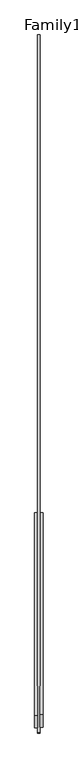
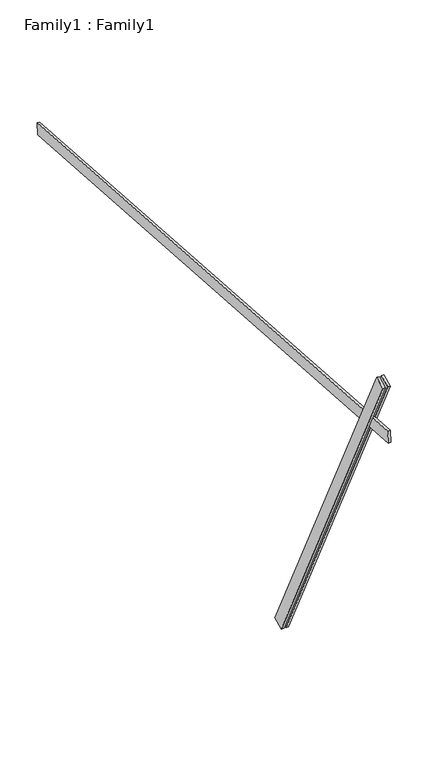
"""IFC4 building model written with IfcOpenShell, lengths in millimetres: proxy geometry, Family1 : Family1."""

from ifc_helpers import new_model, si_unit, frame, origin, place, context, project, spatial, polyline, outline, extrude, source, transform, mapped, element, save


def family1_family1_3dc7d578(model_context):
    return source(origin(), model_context, "Body", "SweptSolid", [
        extrude(outline(polyline([(0.0, 0.0), (-100.0000001, 0.0), (-100.0000001, 20.0), (0.0, 20.0), (0.0, 0.0)])), frame((-30.0, -46.3241747, -22.5938096), z_axis=(0.0, -0.4383711467890692, 0.8987940462991711), x_axis=(0.0, -0.8987940462991711, -0.4383711467890692)), (0.0, 0.0, 1.0), 3300.0),
        extrude(outline(polyline([(0.0, 0.0), (-99.9999999, 0.0), (-99.9999999, 20.0), (0.0, 20.0), (0.0, 0.0)])), frame((10.0, -45.270232, -22.0797674), z_axis=(0.0, -0.4383711467890692, 0.8987940462991711), x_axis=(0.0, -0.8987940462991711, -0.4383711467890692)), (0.0, 0.0, 1.0), 3300.0),
        extrude(outline(polyline([(0.0, 20.0), (5000.0, 20.0), (5000.0, 0.0), (0.0, 0.0), (0.0, 20.0)])), frame((-10.0, 3455.8906884, 2139.0109056), z_axis=(0.0, 0.06975647374412258, 0.9975640502598245), x_axis=(0.0, -0.9975640502598245, 0.06975647374412258)), (0.0, 0.0, 1.0), 100.0),
    ])


if __name__ == "__main__":
    model = new_model("IFC4")
    model_context = context("Model", 3, world=origin())
    ifc_project = project(units=[si_unit("LENGTHUNIT", "METRE", prefix="MILLI")], contexts=[model_context])
    site = spatial("IfcSite", under=ifc_project)
    building = spatial("IfcBuilding", under=site)
    placement = place(None, origin())
    family1_family1_shape = family1_family1_3dc7d578(model_context)
    element("IfcBuildingElementProxy", 1, Name="Family1 : Family1", ObjectType="Family1 : Family1", at=placement, inside=building, context=model_context, shape_type="MappedRepresentation", body=[
        mapped(family1_family1_shape, transform((0.0, 0.0, 0.0), x_axis=(1.0, 0.0, 0.0), y_axis=(0.0, 1.0, 0.0), z_axis=(0.0, 0.0, 1.0))),
    ])
    save(model, "model.ifc")
